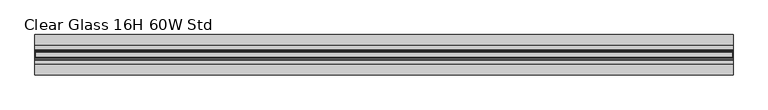
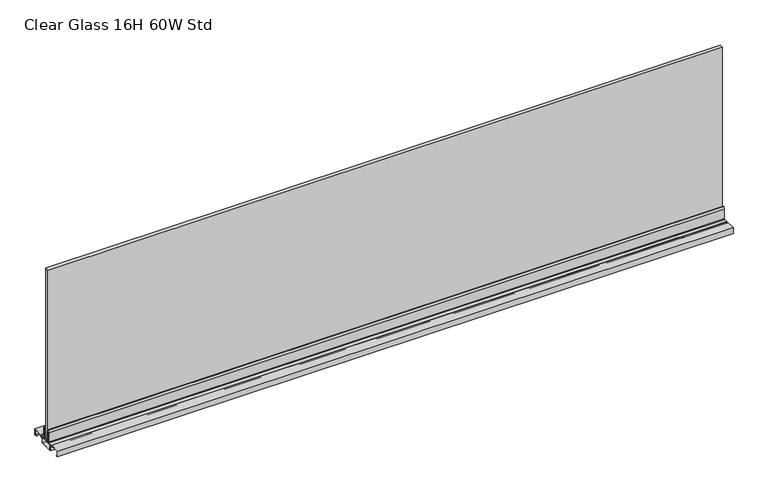
"""IFC4 building model written with IfcOpenShell, lengths in millimetres: furniture geometry, Clear Glass 16H 60W Std."""

from ifc_helpers import new_model, si_unit, frame, origin, place, context, project, spatial, polyline, outline, extrude, faceted_brep, source, transform, mapped, element, save


def clear_glass_16h_60w_std_9a88010a(model_context):
    return source(origin(), model_context, "Body", "SolidModel", [
        extrude(outline(polyline([(11.0754283, 1162.3409966), (6.9341836, 1162.3409966), (6.9341836, 1163.249289), (9.9821807, 1163.249289), (11.0754283, 1162.3409966)])), frame((-760.984, 0.0, 0.0), z_axis=(1.0, 0.0, 0.0), x_axis=(0.0, 1.0, 0.0)), (0.0, 0.0, 1.0), 1521.968),
        faceted_brep([(760.984, -11.0849564, 1162.3409966), (760.984, -6.9437117, 1162.3409966), (760.984, -6.9437117, 1163.249289), (760.984, -9.9917088, 1163.249289), (-760.984, -6.9437117, 1163.249289), (-760.984, -6.9437117, 1162.3409966), (-760.984, -11.0849564, 1162.3409966), (-760.984, -11.0849564, 1163.249289), (305.816, -11.0849564, 1163.249289), (305.816, -9.9917088, 1163.249289), (305.816, -11.0849564, 1162.3409966)], [[[0, 1, 2, 3]], [[4, 5, 6, 7]], [[4, 7, 8, 9, 3, 2]], [[7, 6, 10, 8]], [[1, 0, 10, 6, 5]], [[2, 1, 5, 4]], [[10, 9, 8]], [[9, 10, 0, 3]]]),
        extrude(outline(polyline([(8.1332156, 1190.8752075), (9.9821807, 1185.7952207), (9.9821807, 1163.249289), (6.9341836, 1163.249289), (6.9341836, 1190.8752075), (8.1332156, 1190.8752075)])), frame((-760.984, 0.0, 0.0), z_axis=(1.0, 0.0, 0.0), x_axis=(0.0, 1.0, 0.0)), (0.0, 0.0, 1.0), 1521.968),
        extrude(outline(polyline([(-8.1427437, 1191.0622875), (-6.9437117, 1191.0622875), (-6.9437117, 1163.249289), (-9.9917088, 1163.249289), (-9.9917088, 1185.9823006), (-8.1427437, 1191.0622875)])), frame((-760.984, 0.0, 0.0), z_axis=(1.0, 0.0, 0.0), x_axis=(0.0, 1.0, 0.0)), (0.0, 0.0, 1.0), 1521.968),
        faceted_brep([(-760.984, 43.9832892, 1162.3409966), (-760.984, 43.9832892, 1148.624996), (-760.984, 39.4620892, 1148.624996), (-760.984, 39.3699808, 1149.1383299), (-760.984, 43.3831802, 1149.1383299), (-760.984, 43.3831802, 1161.8329966), (-760.984, 21.5391838, 1161.8329966), (-760.984, 21.5391838, 1159.8009956), (-760.984, 20.4170058, 1158.8922737), (-760.984, 19.5603955, 1156.8742264), (-760.984, 15.5111968, 1156.8742264), (-760.984, 14.9424216, 1156.3054511), (-760.984, 14.9424216, 1146.211996), (-760.984, -14.9519497, 1146.211996), (-760.984, -14.9519497, 1156.3054511), (-760.984, -15.5207249, 1156.8742264), (-760.984, -19.5699236, 1156.8742264), (-760.984, -20.4265339, 1158.8922737), (-760.984, -21.5487119, 1159.8009956), (-760.984, -21.5487119, 1161.8329966), (-760.984, -43.3927083, 1161.8329966), (-760.984, -43.3927083, 1149.1383299), (-760.984, -39.3795089, 1149.1383299), (-760.984, -39.3795089, 1148.624996), (-760.984, -43.9007083, 1148.624996), (-760.984, -43.9007083, 1162.3409966), (-760.984, -21.0407119, 1162.3409966), (-760.984, -21.0407119, 1159.8009956), (-760.984, -20.0220175, 1159.0333543), (-760.984, -19.262709, 1157.2609957), (-760.984, -15.1987129, 1157.2609957), (-760.984, -14.4367091, 1156.4989965), (-760.984, -14.4367091, 1146.719996), (-760.984, 14.5192883, 1146.719996), (-760.984, 14.5192883, 1156.4989965), (-760.984, 15.2812898, 1157.2609957), (-760.984, 19.3452882, 1157.2609957), (-760.984, 20.1072897, 1159.0307131), (-760.984, 21.1232888, 1159.8009956), (-760.984, 21.1232888, 1162.3409966), (760.984, 43.9832892, 1162.3409966), (760.984, 21.1232888, 1162.3409966), (760.984, 21.1232888, 1159.8009956), (760.984, 20.1072897, 1159.0307131), (760.984, 19.3452882, 1157.2609957), (760.984, 15.2812898, 1157.2609957), (760.984, 14.5192883, 1156.4989965), (760.984, 14.5192883, 1146.719996), (760.984, -14.4367091, 1146.719996), (760.984, -14.4367091, 1156.4989965), (760.984, -15.1987129, 1157.2609957), (760.984, -19.262709, 1157.2609957), (760.984, -20.0220175, 1159.0333543), (760.984, -21.0407119, 1159.8009956), (760.984, -21.0407119, 1162.3409966), (760.984, -43.9007083, 1162.3409966), (760.984, -43.9007083, 1148.624996), (760.984, -39.3795089, 1148.624996), (760.984, -39.3795089, 1149.1383299), (760.984, -43.3927083, 1149.1383299), (760.984, -43.3927083, 1161.8329966), (760.984, -21.5487119, 1161.8329966), (760.984, -21.5487119, 1159.8009956), (760.984, -20.4265339, 1158.8922737), (760.984, -19.5699236, 1156.8742264), (760.984, -15.5207249, 1156.8742264), (760.984, -14.9519497, 1156.3054511), (760.984, -14.9519497, 1146.211996), (760.984, 14.9424216, 1146.211996), (760.984, 14.9424216, 1156.3054511), (760.984, 15.5111968, 1156.8742264), (760.984, 19.5603955, 1156.8742264), (760.984, 20.4170058, 1158.8922737), (760.984, 21.5391838, 1159.8009956), (760.984, 21.5391838, 1161.8329966), (760.984, 43.3831802, 1161.8329966), (760.984, 43.3831802, 1149.1383299), (760.984, 39.3699808, 1149.1383299), (760.984, 39.3699808, 1148.624996), (760.984, 43.9832892, 1148.624996)], [[[0, 1, 2, 3, 4, 5, 6, 7, 8, 9, 10, 11, 12, 13, 14, 15, 16, 17, 18, 19, 20, 21, 22, 23, 24, 25, 26, 27, 28, 29, 30, 31, 32, 33, 34, 35, 36, 37, 38, 39]], [[40, 41, 42, 43, 44, 45, 46, 47, 48, 49, 50, 51, 52, 53, 54, 55, 56, 57, 58, 59, 60, 61, 62, 63, 64, 65, 66, 67, 68, 69, 70, 71, 72, 73, 74, 75, 76, 77, 78, 79]], [[1, 0, 40, 79]], [[2, 1, 79, 78]], [[34, 33, 47, 46]], [[35, 34, 46, 45]], [[36, 35, 45, 44]], [[37, 36, 44, 43]], [[38, 37, 43, 42]], [[39, 38, 42, 41]], [[0, 39, 41, 40]], [[26, 25, 55, 54]], [[27, 26, 54, 53]], [[28, 27, 53, 52]], [[30, 29, 51, 50]], [[31, 30, 50, 49]], [[32, 31, 49, 48]], [[67, 13, 12, 68]], [[24, 23, 57, 56]], [[25, 24, 56, 55]], [[33, 32, 48, 47]], [[29, 28, 52, 51]], [[18, 62, 61, 19]], [[21, 59, 58, 22]], [[59, 21, 20, 60]], [[19, 61, 60, 20]], [[62, 18, 17, 63]], [[63, 17, 16, 64]], [[64, 16, 15, 65]], [[65, 15, 14, 66]], [[66, 14, 13, 67]], [[22, 58, 57, 23]], [[6, 74, 73, 7]], [[3, 77, 76, 4]], [[4, 76, 75, 5]], [[74, 6, 5, 75]], [[7, 73, 72, 8]], [[8, 72, 71, 9]], [[9, 71, 70, 10]], [[10, 70, 69, 11]], [[11, 69, 68, 12]], [[77, 3, 2, 78]]]),
        extrude(outline(polyline([(760.984, 19.9802899), (760.984, -19.897713), (-760.984, -19.897713), (-760.984, 19.9802899), (760.984, 19.9802899)])), frame((0.0, 0.0, 1159.8009956), z_axis=(0.0, 0.0, 1.0), x_axis=(1.0, 0.0, 0.0)), (0.0, 0.0, 1.0), 2.540001),
        extrude(outline(polyline([(-6.7532119, 1162.3409966), (-6.7532119, 1189.2649959), (-4.822811, 1185.1252413), (-4.822811, 1163.1029958), (4.9053879, 1163.1029958), (4.9053879, 1185.1252413), (6.8357888, 1189.2649959), (6.8357888, 1162.3409966), (-6.7532119, 1162.3409966)])), frame((-760.984, 0.0, 0.0), z_axis=(1.0, 0.0, 0.0), x_axis=(0.0, 1.0, 0.0)), (0.0, 0.0, 1.0), 1521.968),
        extrude(outline(polyline([(759.587, 4.6481813), (759.587, -4.6577093), (-759.587, -4.6577093), (-759.587, 4.6481813), (759.587, 4.6481813)])), frame((0.0, 0.0, 1163.1029958), z_axis=(0.0, 0.0, 1.0), x_axis=(1.0, 0.0, 0.0)), (0.0, 0.0, 1.0), 405.6380007),
    ])


if __name__ == "__main__":
    model = new_model("IFC4")
    model_context = context("Model", 3, world=origin())
    ifc_project = project(units=[si_unit("LENGTHUNIT", "METRE", prefix="MILLI")], contexts=[model_context])
    site = spatial("IfcSite", under=ifc_project)
    building = spatial("IfcBuilding", under=site)
    placement = place(None, origin())
    clear_glass_16h_60w_std_shape = clear_glass_16h_60w_std_9a88010a(model_context)
    element("IfcFurniture", 1, ObjectType="Clear Glass 16H 60W Std", at=placement, inside=building, context=model_context, shape_type="MappedRepresentation", body=[
        mapped(clear_glass_16h_60w_std_shape, transform((0.0, 0.0, 0.0), x_axis=(1.0, 0.0, 0.0), y_axis=(0.0, 1.0, 0.0), z_axis=(0.0, 0.0, 1.0))),
    ])
    save(model, "model.ifc")
